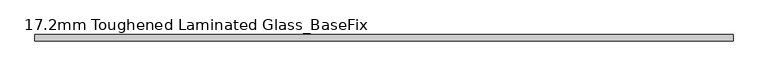
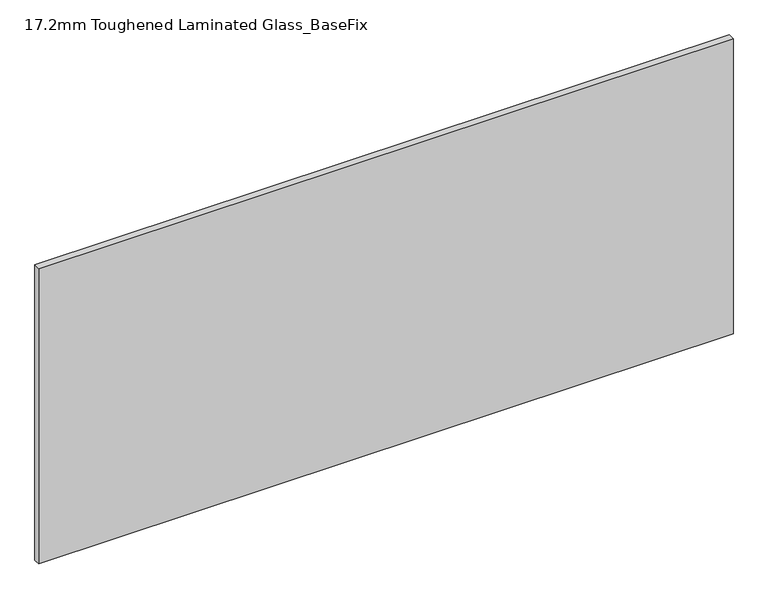
"""IFC4 building model written with IfcOpenShell, lengths in millimetres: plate geometry, 17.2mm Toughened Laminated Glass_BaseFix."""

from ifc_helpers import new_model, si_unit, origin, origin_with_axes, place, context, project, spatial, polyline, outline, extrude, source, transform, mapped, element, save


def plate_17_2mm_toughened_laminated_glass_basefix_b2eab248(model_context):
    return source(origin(), model_context, "Body", "SweptSolid", [
        extrude(outline(polyline([(945.0000001, 8.6), (945.0000001, -8.6), (-945.0000001, -8.6), (-945.0000001, 8.6), (945.0000001, 8.6)])), origin_with_axes(), (0.0, 0.0, 1.0), 849.0),
    ])


if __name__ == "__main__":
    model = new_model("IFC4")
    model_context = context("Model", 3, world=origin())
    ifc_project = project(units=[si_unit("LENGTHUNIT", "METRE", prefix="MILLI")], contexts=[model_context])
    site = spatial("IfcSite", under=ifc_project)
    building = spatial("IfcBuilding", under=site)
    placement = place(None, origin())
    plate_17_2mm_toughened_laminated_glass_basefix_shape = plate_17_2mm_toughened_laminated_glass_basefix_b2eab248(model_context)
    element("IfcPlate", 1, ObjectType="17.2mm Toughened Laminated Glass_BaseFix", at=placement, inside=building, context=model_context, shape_type="MappedRepresentation", body=[
        mapped(plate_17_2mm_toughened_laminated_glass_basefix_shape, transform((0.0, 0.0, 0.0), x_axis=(1.0, 0.0, 0.0), y_axis=(0.0, 1.0, 0.0), z_axis=(0.0, 0.0, 1.0))),
    ])
    save(model, "model.ifc")
